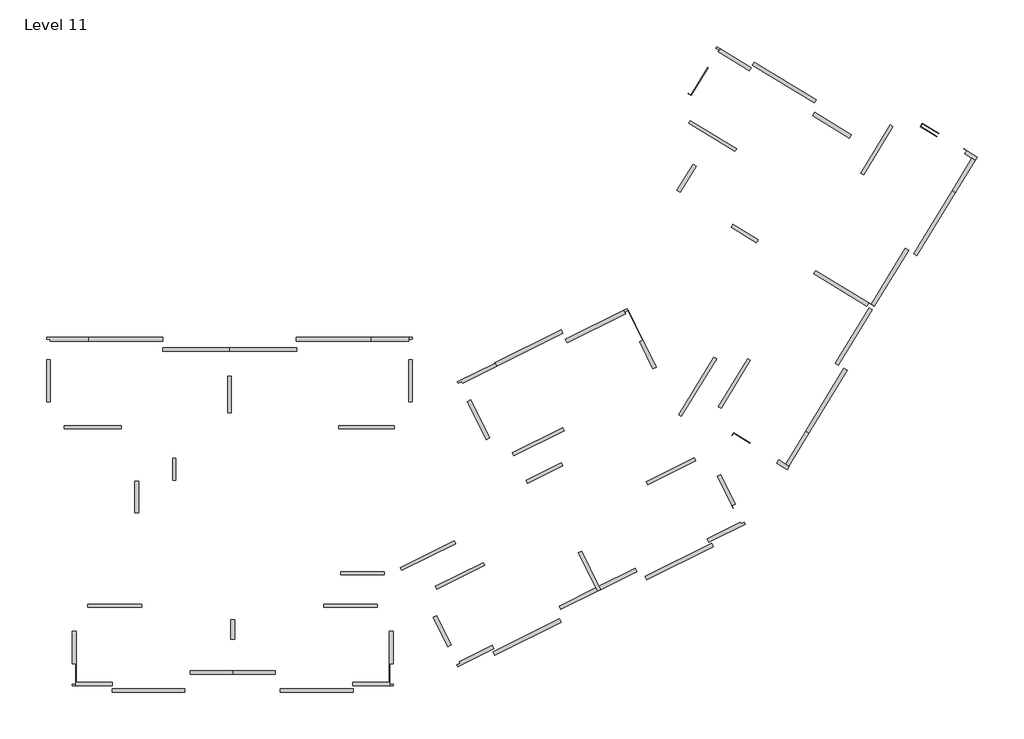
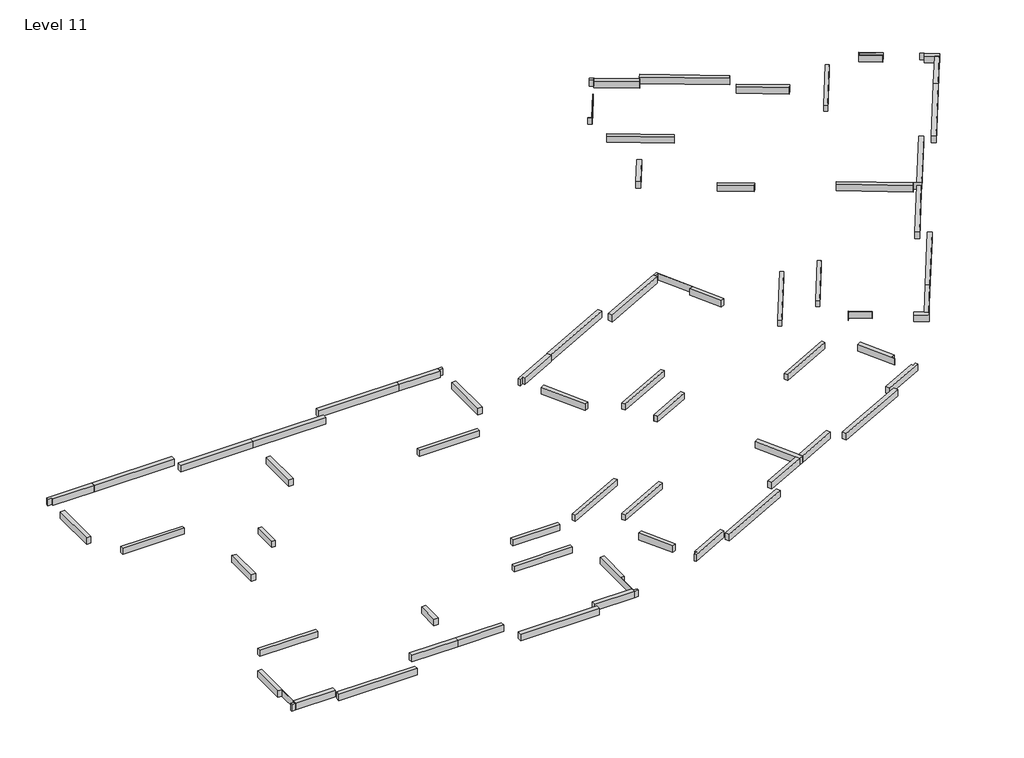
# One storey: 65 beams.
"""IFC4 building model written with IfcOpenShell, lengths in millimetres."""

import ifcopenshell
import ifcopenshell.guid

model = None  # the IFC model being written
_history = None  # IfcOwnerHistory: only IFC2X3 demands one
_inside = {}  # id of a spatial element -> (the spatial element, [elements in it])
_under = {}  # id of a project, library or spatial element -> (it, [spatial elements below it])
_declared = {}  # id of a project -> (the project, [libraries it declares])
_typed = {}  # id of a type object -> (the type object, [elements of that type])
_made_of = {}  # id of a material, layer set ... -> (it, [elements and type objects made of it])


def new_model(schema):
    """Start an empty IFC model of exactly this schema.

    Asked for "IFC4X3", IfcOpenShell would pick the latest addendum, in which some entities
    have other attributes; the version numbers below select the first issue.
    IFC2X3 requires an IfcOwnerHistory on every rooted entity: one is made here for all.
    """
    global model, _history
    if schema == "IFC4X3":
        model = ifcopenshell.file(schema_version=(4, 3, 0, 0))
    else:
        model = ifcopenshell.file(schema=schema)
    _inside.clear()
    _under.clear()
    _declared.clear()
    _typed.clear()
    _made_of.clear()
    _history = None
    if model.schema == "IFC2X3":
        org = make("IfcOrganization", Name="unknown")
        user = make(
            "IfcPersonAndOrganization",
            ThePerson=make("IfcPerson", FamilyName="unknown"),
            TheOrganization=org,
        )
        app = make(
            "IfcApplication",
            ApplicationDeveloper=org,
            Version="unknown",
            ApplicationFullName="unknown",
            ApplicationIdentifier="unknown",
        )
        _history = make(
            "IfcOwnerHistory",
            OwningUser=user,
            OwningApplication=app,
            ChangeAction="ADDED",
            CreationDate=0,
        )
    return model


def make(cls, **values):
    """One entity of the class cls with the attributes given. An attribute that is None is left unset."""
    return model.create_entity(
        cls, **{name: value for name, value in values.items() if value is not None}
    )


def rooted(cls, **values):
    """An entity with a GlobalId (a new one), such as an element, a storey or a relation."""
    return make(cls, GlobalId=ifcopenshell.guid.new(), OwnerHistory=_history, **values)


def si_unit(unit_type, name, prefix=None):
    """IfcSIUnit, for example si_unit("LENGTHUNIT", "METRE", prefix="MILLI")."""
    return make("IfcSIUnit", UnitType=unit_type, Prefix=prefix, Name=name)


def assignment(units):
    """IfcUnitAssignment: the units of a project."""
    return None if units is None else make("IfcUnitAssignment", Units=units)


def point(xyz):
    """IfcCartesianPoint."""
    return None if xyz is None else make("IfcCartesianPoint", Coordinates=xyz)


def direction(xyz):
    """IfcDirection."""
    return None if xyz is None else make("IfcDirection", DirectionRatios=xyz)


def frame(location, z_axis=None, x_axis=None):
    """IfcAxis2Placement3D, a coordinate frame: its origin and axes. An axis left out is left unset."""
    return make(
        "IfcAxis2Placement3D",
        Location=point(location),
        Axis=direction(z_axis),
        RefDirection=direction(x_axis),
    )


def origin():
    """The frame at (0, 0, 0) with its axes left unset."""
    return frame((0.0, 0.0, 0.0))


def place(relative_to, where):
    """IfcLocalPlacement: puts the frame where relative to a parent placement (None: the world)."""
    return make(
        "IfcLocalPlacement", PlacementRelTo=relative_to, RelativePlacement=where
    )


def context(
    kind, dimensions, precision=None, world=None, true_north=None, identifier=None
):
    """IfcGeometricRepresentationContext, for example the 3D "Model" context."""
    return make(
        "IfcGeometricRepresentationContext",
        ContextIdentifier=identifier,
        ContextType=kind,
        CoordinateSpaceDimension=dimensions,
        Precision=precision,
        WorldCoordinateSystem=world,
        TrueNorth=true_north,
    )


def project(units=None, contexts=None):
    """IfcProject with its units and contexts."""
    return rooted(
        "IfcProject",
        Name="project",
        RepresentationContexts=contexts,
        UnitsInContext=assignment(units),
    )


def spatial(cls, under=None, at=None, **own):
    """A site, building, storey or space (cls), placed at a placement, below another one or the project."""
    s = rooted(cls, ObjectPlacement=at, **own)
    if under is not None:
        _under.setdefault(under.id(), (under, []))[1].append(s)
    return s


def polyline(points):
    """IfcPolyline through the points."""
    return make("IfcPolyline", Points=[point(p) for p in points])


def outline(outer, holes=None, kind="AREA"):
    """IfcArbitraryClosedProfileDef: a profile drawn as a closed curve; with holes, ...WithVoids."""
    if holes is None:
        return make("IfcArbitraryClosedProfileDef", ProfileType=kind, OuterCurve=outer)
    return make(
        "IfcArbitraryProfileDefWithVoids",
        ProfileType=kind,
        OuterCurve=outer,
        InnerCurves=holes,
    )


def extrude(swept, where, along, depth):
    """IfcExtrudedAreaSolid: the profile swept, set in the frame where, extruded along a direction by depth."""
    return make(
        "IfcExtrudedAreaSolid",
        SweptArea=swept,
        Position=where,
        ExtrudedDirection=direction(along),
        Depth=depth,
    )


def faces_of(points, faces, orient=None, outer=None):
    """IfcFace entities. A face is a list of loops; a loop is a list of indices into points, from 0.

    orient and outer hold one flag for each loop. By default every Orientation is true, the
    first loop of a face is its IfcFaceOuterBound and the others are IfcFaceBound.
    """
    made = []
    for i, loops in enumerate(faces):
        bounds = []
        for j, loop in enumerate(loops):
            is_outer = j == 0 if outer is None else outer[i][j]
            bounds.append(
                make(
                    "IfcFaceOuterBound" if is_outer else "IfcFaceBound",
                    Bound=make("IfcPolyLoop", Polygon=[points[k] for k in loop]),
                    Orientation=True if orient is None else orient[i][j],
                )
            )
        made.append(make("IfcFace", Bounds=bounds))
    return made


def faceted_brep(points, faces, orient=None, outer=None, voids=None):
    """IfcFacetedBrep: a solid bounded by flat faces; with voids (closed shells), ...WithVoids."""
    shared = [point(p) for p in points]
    hull = make("IfcClosedShell", CfsFaces=faces_of(shared, faces, orient, outer))
    if voids is None:
        return make("IfcFacetedBrep", Outer=hull)
    return make(
        "IfcFacetedBrepWithVoids",
        Outer=hull,
        Voids=[
            make(cls, CfsFaces=faces_of(shared, fs, o, b)) for cls, fs, o, b in voids
        ],
    )


def shape(context_of_items, identifier, shape_type, items):
    """IfcShapeRepresentation: the items that make up one representation, for example the "Body"."""
    return make(
        "IfcShapeRepresentation",
        ContextOfItems=context_of_items,
        RepresentationIdentifier=identifier,
        RepresentationType=shape_type,
        Items=items,
    )


def made_of(thing, what):
    """Note that an element or type object is made of a material, layer set ...; save() writes the relation."""
    if what is not None:
        _made_of.setdefault(what.id(), (what, []))[1].append(thing)
    return thing


def element(
    cls,
    number,
    at=None,
    inside=None,
    cuts=None,
    type_object=None,
    material=None,
    context=None,
    identifier="Body",
    shape_type=None,
    held_by="IfcProductDefinitionShape",
    body=None,
    shapes=None,
    **own,
):
    """One element of the class cls, such as IfcWall. Its Tag is "e" and its number.

    at: its placement. inside: the storey or other place that contains it. cuts: it is an
    opening in that element (IfcRelVoidsElement). A single representation is given by context,
    identifier, shape_type and body (its items); several are given by shapes. held_by: the class
    of the entity that holds the representations. save() writes the other relations.
    """
    e = rooted(cls, Tag="e%d" % number, ObjectPlacement=at, **own)
    if body is not None:
        shapes = [shape(context, identifier, shape_type, body)]
    if shapes is not None:
        e.Representation = make(held_by, Representations=shapes)
    if inside is not None:
        _inside.setdefault(inside.id(), (inside, []))[1].append(e)
    if cuts is not None:
        rooted(
            "IfcRelVoidsElement", RelatingBuildingElement=cuts, RelatedOpeningElement=e
        )
    if type_object is not None:
        _typed.setdefault(type_object.id(), (type_object, []))[1].append(e)
    return made_of(e, material)


def aggregate(whole, parts):
    """IfcRelAggregates: a whole, such as a stair, and the parts it consists of."""
    return rooted("IfcRelAggregates", RelatingObject=whole, RelatedObjects=parts)


def save(model, path):
    """Write the relations noted so far, then the file.

    IfcRelAggregates (storeys below a building ...), IfcRelContainedInSpatialStructure (elements
    in a storey), IfcRelDefinesByType, IfcRelAssociatesMaterial and IfcRelDeclares: one each for
    every whole, place, type object, material and project.
    """
    for whole, parts in _under.values():
        aggregate(whole, parts)
    for where, things in _inside.values():
        rooted(
            "IfcRelContainedInSpatialStructure",
            RelatedElements=things,
            RelatingStructure=where,
        )
    for kind, things in _typed.values():
        rooted("IfcRelDefinesByType", RelatedObjects=things, RelatingType=kind)
    for what, things in _made_of.values():
        rooted("IfcRelAssociatesMaterial", RelatedObjects=things, RelatingMaterial=what)
    for by, libraries in _declared.values():
        rooted("IfcRelDeclares", RelatingContext=by, RelatedDefinitions=libraries)
    model.write(path)


model = new_model("IFC4")

# Units and contexts
model_context = context("Model", 3, world=origin())
ifc_project = project(units=[si_unit("LENGTHUNIT", "METRE", prefix="MILLI")], contexts=[model_context])

# Site, building, storey
site = spatial("IfcSite", under=ifc_project)
building = spatial("IfcBuilding", under=site)
storey = spatial("IfcBuildingStorey", under=building, Name="Level 11", Elevation=28800.0)

# Beams
placement = place(None, origin())
element("IfcBeam", 1, ObjectType="Concrete - Rectangular Beam", at=placement, inside=storey, context=model_context, shape_type="SweptSolid", body=[
    extrude(outline(polyline([(88316.1668295, -55924.9555569), (91591.1668295, -55924.9555569), (91591.1668295, -56224.9555569), (88606.8906058, -56224.9555569), (88606.8906058, -56076.6352907), (88316.1668295, -56076.6352907), (88316.1668295, -55924.9555569)])), frame((0.0, 0.0, 28300.0), z_axis=(0.0, 0.0, 1.0), x_axis=(1.0, 0.0, 0.0)), (0.0, 0.0, 1.0), 500.0),
])
element("IfcBeam", 2, ObjectType="Concrete - Rectangular Beam", at=placement, inside=storey, context=model_context, shape_type="Brep", body=[
    faceted_brep([(116666.1668295, -55924.9555569, 28800.0), (116666.1668295, -56074.9555569, 28800.0), (116666.1668295, -56224.9555569, 28800.0), (116666.1668295, -56224.9555569, 28300.0), (116666.1668295, -56074.9555569, 28300.0), (116666.1668295, -55924.9555569, 28300.0), (113691.1668295, -56224.9555569, 28800.0), (113691.1668295, -55924.9555569, 28800.0), (113691.1668295, -56224.9555569, 28300.0), (113691.1668295, -55924.9555569, 28300.0)], [[[0, 1, 2, 3, 4, 5]], [[6, 2, 1, 0, 7]], [[8, 3, 2, 6]], [[9, 5, 4, 3, 8]], [[7, 0, 5, 9]], [[7, 9, 8, 6]]]),
])
element("IfcBeam", 3, ObjectType="Concrete - Rectangular Beam", at=placement, inside=storey, context=model_context, shape_type="SweptSolid", body=[
    extrude(outline(polyline([(94160.3612438, -62824.9555569), (94160.3612438, -63074.9555569), (89707.6612438, -63074.9555569), (89707.6612438, -62824.9555569), (94160.3612438, -62824.9555569)])), frame((0.0, 0.0, 28330.0), z_axis=(0.0, 0.0, 1.0), x_axis=(1.0, 0.0, 0.0)), (0.0, 0.0, 1.0), 450.0),
])
element("IfcBeam", 4, ObjectType="Concrete - Rectangular Beam", at=placement, inside=storey, context=model_context, shape_type="SweptSolid", body=[
    extrude(outline(polyline([(111187.7301517, -62824.9555569), (115556.7301517, -62824.9555569), (115556.7301517, -63074.9555569), (111187.7301517, -63074.9555569), (111187.7301517, -62824.9555569)])), frame((0.0, 0.0, 28330.0), z_axis=(0.0, 0.0, 1.0), x_axis=(1.0, 0.0, 0.0)), (0.0, 0.0, 1.0), 450.0),
])
element("IfcBeam", 5, ObjectType="Concrete - Rectangular Beam", at=placement, inside=storey, context=model_context, shape_type="SweptSolid", body=[
    extrude(outline(polyline([(141143.7702099, -61491.211312), (140930.2689252, -61361.1451695), (143226.1964724, -57592.4204916), (143439.6977571, -57722.4866341), (141143.7702099, -61491.211312)])), frame((0.0, 0.0, 28350.0), z_axis=(0.0, 0.0, 1.0), x_axis=(1.0, 0.0, 0.0)), (0.0, 0.0, 1.0), 450.0),
])
element("IfcBeam", 6, ObjectType="Concrete - Rectangular Beam", at=placement, inside=storey, context=model_context, shape_type="SweptSolid", body=[
    extrude(outline(polyline([(114210.8087114, -77074.9555569), (110007.8087114, -77074.9555569), (110007.8087114, -76824.9555569), (114210.8087114, -76824.9555569), (114210.8087114, -77074.9555569)])), frame((0.0, 0.0, 28350.0), z_axis=(0.0, 0.0, 1.0), x_axis=(1.0, 0.0, 0.0)), (0.0, 0.0, 1.0), 450.0),
])
element("IfcBeam", 7, ObjectType="Concrete - Rectangular Beam", at=placement, inside=storey, context=model_context, shape_type="SweptSolid", body=[
    extrude(outline(polyline([(91556.3809563, -77074.9555569), (91556.3809563, -76824.9555569), (95761.3809563, -76824.9555569), (95761.3809563, -77074.9555569), (91556.3809563, -77074.9555569)])), frame((0.0, 0.0, 28350.0), z_axis=(0.0, 0.0, 1.0), x_axis=(1.0, 0.0, 0.0)), (0.0, 0.0, 1.0), 450.0),
])
element("IfcBeam", 8, ObjectType="Concrete - Rectangular Beam", at=placement, inside=storey, context=model_context, shape_type="SweptSolid", body=[
    extrude(outline(polyline([(102631.1668295, -56724.9555569), (102631.1668295, -57024.9555569), (97405.9033853, -57024.9555569), (97405.9033853, -56724.9555569), (102631.1668295, -56724.9555569)])), frame((0.0, 0.0, 28300.0), z_axis=(0.0, 0.0, 1.0), x_axis=(1.0, 0.0, 0.0)), (0.0, 0.0, 1.0), 500.0),
])
element("IfcBeam", 9, ObjectType="Concrete - Rectangular Beam", at=placement, inside=storey, context=model_context, shape_type="SweptSolid", body=[
    extrude(outline(polyline([(124908.7594705, -65182.8380889), (124797.6751291, -64958.8732053), (128753.7908328, -62996.6793977), (128864.8751743, -63220.6442813), (124908.7594705, -65182.8380889)])), frame((0.0, 0.0, 28350.0), z_axis=(0.0, 0.0, 1.0), x_axis=(1.0, 0.0, 0.0)), (0.0, 0.0, 1.0), 450.0),
])
element("IfcBeam", 10, ObjectType="Concrete - Rectangular Beam", at=placement, inside=storey, context=model_context, shape_type="Brep", body=[
    faceted_brep([(95241.1668295, -67207.2555569, 28800.0), (95541.1668295, -67207.2555569, 28800.0), (95541.1668295, -67207.2555569, 28300.0), (95241.1668295, -67207.2555569, 28300.0), (95241.1668295, -69652.6555569, 28800.0), (95241.1668295, -69652.6555569, 28300.0), (95541.1668295, -69652.6555569, 28300.0), (95541.1668295, -69652.6555569, 28800.0), (95241.1668295, -69649.9555569, 28300.0), (95241.1668295, -67228.4950347, 28300.0)], [[[0, 1, 2, 3]], [[4, 5, 6, 7]], [[1, 0, 4, 7]], [[2, 1, 7, 6]], [[3, 2, 6, 5, 8, 9]], [[0, 3, 9, 8, 5, 4]]]),
])
element("IfcBeam", 11, ObjectType="Concrete - Rectangular Beam", at=placement, inside=storey, context=model_context, shape_type="Brep", body=[
    faceted_brep([(137941.8580571, -44574.837013, 28800.0), (137685.6565154, -44418.757642, 28800.0), (137685.6565154, -44418.757642, 28300.0), (137941.8580571, -44574.837013, 28300.0), (139203.7077451, -42503.5329492, 28800.0), (139203.7077451, -42503.5329492, 28300.0), (139049.9868201, -42409.8853266, 28300.0), (138947.5062034, -42347.4535782, 28300.0), (138947.5062034, -42347.4535782, 28800.0), (137687.7090978, -44415.3883641, 28300.0)], [[[0, 1, 2, 3]], [[4, 5, 6, 7, 8]], [[1, 0, 4, 8]], [[2, 1, 8, 7, 9]], [[3, 2, 9, 7, 6, 5]], [[0, 3, 5, 4]]]),
])
element("IfcBeam", 12, ObjectType="Concrete - Rectangular Beam : 250x450", at=placement, inside=storey, context=model_context, shape_type="SweptSolid", body=[
    extrude(outline(polyline([(98191.1668295, -65393.7562225), (98441.1668295, -65393.7562225), (98441.1668295, -67116.1562225), (98191.1668295, -67116.1562225), (98191.1668295, -65393.7562225)])), frame((0.0, 0.0, 28350.0), z_axis=(0.0, 0.0, 1.0), x_axis=(1.0, 0.0, 0.0)), (0.0, 0.0, 1.0), 450.0),
])
element("IfcBeam", 13, ObjectType="Concrete - Rectangular Beam : 250x450", at=placement, inside=storey, context=model_context, shape_type="SweptSolid", body=[
    extrude(outline(polyline([(139162.5282305, -65582.3070758), (135387.3718746, -67456.3109655), (135276.2130798, -67232.3830255), (139051.3694357, -65358.3791358), (139162.5282305, -65582.3070758)])), frame((0.0, 0.0, 28330.0), z_axis=(0.0, 0.0, 1.0), x_axis=(1.0, 0.0, 0.0)), (0.0, 0.0, 1.0), 450.0),
])
element("IfcBeam", 14, ObjectType="Concrete - Rectangular Beam : 250x450", at=placement, inside=storey, context=model_context, shape_type="SweptSolid", body=[
    extrude(outline(polyline([(118875.704651, -75652.7737569), (118764.5458562, -75428.8458169), (122524.7438257, -73562.2673347), (122635.9026205, -73786.1952747), (118875.704651, -75652.7737569)])), frame((0.0, 0.0, 28330.0), z_axis=(0.0, 0.0, 1.0), x_axis=(1.0, 0.0, 0.0)), (0.0, 0.0, 1.0), 450.0),
])
element("IfcBeam", 15, ObjectType="Concrete - Rectangular Beam : 2T501b-300x500", at=placement, inside=storey, context=model_context, shape_type="SweptSolid", body=[
    extrude(outline(polyline([(102791.1668295, -61807.6555569), (102491.1668295, -61807.6555569), (102491.1668295, -58962.2555569), (102791.1668295, -58962.2555569), (102791.1668295, -61807.6555569)])), frame((0.0, 0.0, 28300.0), z_axis=(0.0, 0.0, 1.0), x_axis=(1.0, 0.0, 0.0)), (0.0, 0.0, 1.0), 500.0),
])
element("IfcBeam", 16, ObjectType="Concrete - Rectangular Beam : 2T501b-300x500", at=placement, inside=storey, context=model_context, shape_type="SweptSolid", body=[
    extrude(outline(polyline([(102631.1668295, -56724.9555569), (107914.4817218, -56724.9555569), (107914.4817218, -57024.9555569), (102631.1668295, -57024.9555569), (102631.1668295, -56724.9555569)])), frame((0.0, 0.0, 28300.0), z_axis=(0.0, 0.0, 1.0), x_axis=(1.0, 0.0, 0.0)), (0.0, 0.0, 1.0), 500.0),
])
element("IfcBeam", 17, ObjectType="Concrete - Rectangular Beam : 2T501b-300x500", at=placement, inside=storey, context=model_context, shape_type="SweptSolid", body=[
    extrude(outline(polyline([(88616.1668295, -60976.1312872), (88316.1668295, -60976.1312872), (88316.1668295, -57676.6352907), (88606.8906058, -57676.6352907), (88606.8906058, -57674.9555569), (88616.1668295, -57674.9555569), (88616.1668295, -60976.1312872)])), frame((0.0, 0.0, 28300.0), z_axis=(0.0, 0.0, 1.0), x_axis=(1.0, 0.0, 0.0)), (0.0, 0.0, 1.0), 500.0),
])
element("IfcBeam", 18, ObjectType="Concrete - Rectangular Beam : 2T501b-300x500", at=placement, inside=storey, context=model_context, shape_type="SweptSolid", body=[
    extrude(outline(polyline([(116966.1668295, -60976.4550241), (116666.1668295, -60976.4550241), (116666.1668295, -57674.9555569), (116966.1668295, -57674.9555569), (116966.1668295, -60976.4550241)])), frame((0.0, 0.0, 28300.0), z_axis=(0.0, 0.0, 1.0), x_axis=(1.0, 0.0, 0.0)), (0.0, 0.0, 1.0), 500.0),
    extrude(outline(polyline([(116666.1668295, -55924.9555569), (116966.1668295, -55924.9555569), (116966.1668295, -56074.9555569), (116666.1668295, -56074.9555569), (116666.1668295, -55924.9555569)])), frame((0.0, 0.0, 28300.0), z_axis=(0.0, 0.0, 1.0), x_axis=(1.0, 0.0, 0.0)), (0.0, 0.0, 1.0), 500.0),
])
element("IfcBeam", 19, ObjectType="Concrete - Rectangular Beam : Beam - 250x480", at=placement, inside=storey, context=model_context, shape_type="SweptSolid", body=[
    extrude(outline(polyline([(154592.5312028, -39415.3067382), (152299.2049784, -43179.7613904), (152085.7036937, -43049.6952479), (154379.0299181, -39285.2405957), (154592.5312028, -39415.3067382)])), frame((0.0, 0.0, 28320.0), z_axis=(0.0, 0.0, 1.0), x_axis=(1.0, 0.0, 0.0)), (0.0, 0.0, 1.0), 480.0),
])
element("IfcBeam", 20, ObjectType="Concrete - Rectangular Beam : Beam - 250x480", at=placement, inside=storey, context=model_context, shape_type="SweptSolid", body=[
    extrude(outline(polyline([(138603.2903661, -39151.8249101), (138733.3565086, -38938.3236254), (142352.3740857, -41143.0487935), (142222.3079432, -41356.5500782), (138603.2903661, -39151.8249101)])), frame((0.0, 0.0, 28300.0), z_axis=(0.0, 0.0, 1.0), x_axis=(1.0, 0.0, 0.0)), (0.0, 0.0, 1.0), 480.0),
])
element("IfcBeam", 21, ObjectType="Concrete - Rectangular Beam : Beam-250x450", at=placement, inside=storey, context=model_context, shape_type="SweptSolid", body=[
    extrude(outline(polyline([(120237.3440533, -71847.0829725), (120348.4283947, -72071.0478561), (116117.5525718, -74169.5199338), (116006.4682303, -73945.5550502), (120237.3440533, -71847.0829725)])), frame((0.0, 0.0, 28350.0), z_axis=(0.0, 0.0, 1.0), x_axis=(1.0, 0.0, 0.0)), (0.0, 0.0, 1.0), 450.0),
])
element("IfcBeam", 22, ObjectType="Concrete - Rectangular Beam : Beam-250x450", at=placement, inside=storey, context=model_context, shape_type="SweptSolid", body=[
    extrude(outline(polyline([(114764.9592692, -74274.9555569), (114764.9592692, -74524.9555569), (111366.2592692, -74524.9555569), (111366.2592692, -74274.9555569), (114764.9592692, -74274.9555569)])), frame((0.0, 0.0, 28350.0), z_axis=(0.0, 0.0, 1.0), x_axis=(1.0, 0.0, 0.0)), (0.0, 0.0, 1.0), 450.0),
])
element("IfcBeam", 23, ObjectType="Concrete - Rectangular Beam : Beam-250x450", at=placement, inside=storey, context=model_context, shape_type="SweptSolid", body=[
    extrude(outline(polyline([(140569.5106088, -57464.3774926), (140783.0118936, -57594.443635), (138029.4076042, -62114.4366337), (137815.9063195, -61984.3704912), (140569.5106088, -57464.3774926)])), frame((0.0, 0.0, 28350.0), z_axis=(0.0, 0.0, 1.0), x_axis=(1.0, 0.0, 0.0)), (0.0, 0.0, 1.0), 450.0),
])
element("IfcBeam", 24, ObjectType="Concrete - Rectangular Beam : Beam-250x450", at=placement, inside=storey, context=model_context, shape_type="Brep", body=[
    faceted_brep([(128630.4943564, -65748.1650183, 28800.0), (128741.5786979, -65972.1299018, 28800.0), (128741.5786979, -65972.1299018, 28350.0), (128630.4943564, -65748.1650183, 28350.0), (125876.2214183, -67114.2568387, 28800.0), (125883.9441111, -67129.8141026, 28800.0), (125883.5742804, -67129.9976881, 28800.0), (125981.3285063, -67327.0867966, 28800.0), (125986.941041, -67338.4026191, 28800.0), (125986.941041, -67338.4026191, 28350.0), (125883.5742804, -67129.9976881, 28350.0), (125883.9441111, -67129.8141026, 28350.0), (125876.2214183, -67114.2568387, 28350.0)], [[[0, 1, 2, 3]], [[1, 0, 4, 5, 6, 7, 8]], [[2, 1, 8, 9]], [[3, 2, 9, 10, 11, 12]], [[0, 3, 12, 4]], [[9, 8, 7, 6, 10]], [[11, 5, 4, 12]], [[5, 11, 10, 6]]]),
])
element("IfcBeam", 25, ObjectType="Concrete - Rectangular Beam : Beam-250x450", at=placement, inside=storey, context=model_context, shape_type="SweptSolid", body=[
    extrude(outline(polyline([(141926.6757404, -47294.6784672), (142056.7418829, -47081.1771825), (144043.8159398, -48291.7134927), (143913.7497973, -48505.2147774), (141926.6757404, -47294.6784672)])), frame((0.0, 0.0, 28350.0), z_axis=(0.0, 0.0, 1.0), x_axis=(1.0, 0.0, 0.0)), (0.0, 0.0, 1.0), 450.0),
])
element("IfcBeam", 26, ObjectType="Concrete - Rectangular Beam : Beam-300x500", at=placement, inside=storey, context=model_context, shape_type="SweptSolid", body=[
    extrude(outline(polyline([(136077.5262336, -58256.1183212), (135808.820693, -58389.5249645), (134757.0948086, -56271.155403), (135017.5564372, -56141.8416885), (133861.3655293, -53813.0603367), (133600.9039006, -53942.3740512), (133535.5056883, -53810.6500113), (133804.2192169, -53677.2594573), (136077.5262336, -58256.1183212)])), frame((0.0, 0.0, 28300.0), z_axis=(0.0, 0.0, 1.0), x_axis=(1.0, 0.0, 0.0)), (0.0, 0.0, 1.0), 500.0),
])
element("IfcBeam", 27, ObjectType="Concrete - Rectangular Beam : Beam-300x500", at=placement, inside=storey, context=model_context, shape_type="Brep", body=[
    faceted_brep([(123438.9118086, -57929.8742989, 28800.0), (120489.6449311, -59393.9030911, 28800.0), (120556.4278694, -59528.436448, 28800.0), (120825.1039907, -59395.0444108, 28800.0), (120891.7276275, -59529.2366812, 28800.0), (123572.3023624, -58198.587827, 28800.0), (123563.0503828, -58179.949835, 28800.0), (123572.3023624, -58198.587827, 28300.0), (120891.7276275, -59529.2366812, 28300.0), (120489.6449311, -59393.9030911, 28300.0), (123438.9118086, -57929.8742989, 28300.0), (123563.0503828, -58179.949835, 28300.0), (120825.1039907, -59395.0444108, 28300.0), (120556.4278694, -59528.436448, 28300.0)], [[[0, 1, 2, 3, 4, 5, 6]], [[7, 5, 4, 8]], [[9, 10, 11, 7, 8, 12, 13]], [[1, 0, 10, 9]], [[1, 9, 13, 2]], [[3, 12, 8, 4]], [[12, 3, 2, 13]], [[0, 6, 5, 7, 11, 10]]]),
])
element("IfcBeam", 28, ObjectType="Concrete - Rectangular Beam : Beam-300x500", at=placement, inside=storey, context=model_context, shape_type="Brep", body=[
    faceted_brep([(146469.3546144, -66016.3601547, 28800.0), (146313.2752434, -66272.5616964, 28800.0), (146313.2752434, -66272.5616964, 28300.0), (146469.3546144, -66016.3601547, 28300.0), (146450.0466424, -66004.5976333, 28800.0), (146193.8451007, -65848.5182623, 28800.0), (145647.1259225, -65515.4539689, 28800.0), (145491.0465515, -65771.6555106, 28800.0), (145491.0465515, -65771.6555106, 28300.0), (145647.1259225, -65515.4539689, 28300.0), (146193.8451007, -65848.5182623, 28300.0), (146450.0466424, -66004.5976333, 28300.0)], [[[0, 1, 2, 3]], [[1, 0, 4, 5, 6, 7]], [[2, 1, 7, 8]], [[3, 2, 8, 9, 10, 11]], [[0, 3, 11, 10, 9, 6, 5, 4]], [[7, 6, 9, 8]]]),
])
element("IfcBeam", 29, ObjectType="Concrete - Rectangular Beam : Beam-300x500", at=placement, inside=storey, context=model_context, shape_type="SweptSolid", body=[
    extrude(outline(polyline([(147754.6474704, -63286.4886308), (148010.849012, -63442.5680017), (146450.0466424, -66004.5976333), (146193.8451007, -65848.5182623), (147754.6474704, -63286.4886308)])), frame((0.0, 0.0, 28300.0), z_axis=(0.0, 0.0, 1.0), x_axis=(1.0, 0.0, 0.0)), (0.0, 0.0, 1.0), 500.0),
])
element("IfcBeam", 30, ObjectType="Concrete - Rectangular Beam : Beam-300x500", at=placement, inside=storey, context=model_context, shape_type="Brep", body=[
    faceted_brep([(148414.5189284, -50954.3704969, 28800.0), (148570.5982994, -50698.1689552, 28800.0), (148570.5982994, -50698.1689552, 28300.0), (148414.5189284, -50954.3704969, 28300.0), (152560.8846323, -53480.3590087, 28800.0), (152713.7068392, -53229.5040446, 28800.0), (153150.0620466, -53495.3340075, 28800.0), (153153.3192107, -53489.9874299, 28800.0), (152897.117669, -53333.9080589, 28800.0), (153153.3192107, -53489.9874299, 28300.0), (152897.117669, -53333.9080589, 28300.0), (153150.0620466, -53495.3340075, 28300.0), (152713.7068392, -53229.5040446, 28300.0), (152560.8846323, -53480.3590087, 28300.0)], [[[0, 1, 2, 3]], [[1, 0, 4, 5, 6, 7, 8]], [[2, 1, 8, 7, 9, 10]], [[3, 2, 10, 9, 11, 12, 13]], [[0, 3, 13, 4]], [[5, 12, 11, 6]], [[12, 5, 4, 13]], [[9, 7, 6, 11]]]),
])
element("IfcBeam", 31, ObjectType="Concrete - Rectangular Beam : Beam-300x500", at=placement, inside=storey, context=model_context, shape_type="SweptSolid", body=[
    extrude(outline(polyline([(150758.08791, -58356.3939869), (151014.2894516, -58512.4733579), (148010.849012, -63442.5680017), (147754.6474704, -63286.4886308), (150758.08791, -58356.3939869)])), frame((0.0, 0.0, 28300.0), z_axis=(0.0, 0.0, 1.0), x_axis=(1.0, 0.0, 0.0)), (0.0, 0.0, 1.0), 500.0),
])
element("IfcBeam", 32, ObjectType="Concrete - Rectangular Beam : Beam-300x500", at=placement, inside=storey, context=model_context, shape_type="SweptSolid", body=[
    extrude(outline(polyline([(159482.6654601, -44611.7831191), (159226.4639185, -44455.7037481), (160787.2662881, -41893.6741165), (161043.4678298, -42049.7534875), (159482.6654601, -44611.7831191)])), frame((0.0, 0.0, 28300.0), z_axis=(0.0, 0.0, 1.0), x_axis=(1.0, 0.0, 0.0)), (0.0, 0.0, 1.0), 500.0),
])
element("IfcBeam", 33, ObjectType="Concrete - Rectangular Beam : Beam-300x500", at=placement, inside=storey, context=model_context, shape_type="SweptSolid", body=[
    extrude(outline(polyline([(156479.2250205, -49541.8777629), (156223.0234788, -49385.7983919), (159226.4639185, -44455.7037481), (159482.6654601, -44611.7831191), (156479.2250205, -49541.8777629)])), frame((0.0, 0.0, 28300.0), z_axis=(0.0, 0.0, 1.0), x_axis=(1.0, 0.0, 0.0)), (0.0, 0.0, 1.0), 500.0),
])
element("IfcBeam", 34, ObjectType="Concrete - Rectangular Beam : Beam-300x500", at=placement, inside=storey, context=model_context, shape_type="Brep", body=[
    faceted_brep([(161218.8551728, -41805.3144673, 28800.0), (161062.7758018, -42061.5160089, 28800.0), (161062.7758018, -42061.5160089, 28300.0), (161218.8551728, -41805.3144673, 28300.0), (160140.4249393, -41148.3289105, 28800.0), (160137.1764216, -41153.6612951, 28800.0), (160387.3593914, -41306.0741195, 28800.0), (160234.5285381, -41556.9432765, 28800.0), (160787.2662881, -41893.6741165, 28800.0), (161043.4678298, -42049.7534875, 28800.0), (160140.4249393, -41148.3289105, 28300.0), (161043.4678298, -42049.7534875, 28300.0), (160787.2662881, -41893.6741165, 28300.0), (160234.5285381, -41556.9432765, 28300.0), (160387.3593914, -41306.0741195, 28300.0), (160137.1764216, -41153.6612951, 28300.0)], [[[0, 1, 2, 3]], [[1, 0, 4, 5, 6, 7, 8, 9]], [[0, 3, 10, 4]], [[3, 2, 11, 12, 13, 14, 15, 10]], [[2, 1, 9, 8, 7, 13, 12, 11]], [[14, 6, 5, 15]], [[6, 14, 13, 7]], [[4, 10, 15, 5]]]),
])
element("IfcBeam", 35, ObjectType="Concrete - Rectangular Beam : Beam-300x500", at=placement, inside=storey, context=model_context, shape_type="SweptSolid", body=[
    extrude(outline(polyline([(143522.5245374, -34800.9181296), (143366.4451664, -35057.1196712), (140906.3125628, -33558.3935245), (141062.3919338, -33302.1919829), (143522.5245374, -34800.9181296)])), frame((0.0, 0.0, 28300.0), z_axis=(0.0, 0.0, 1.0), x_axis=(1.0, 0.0, 0.0)), (0.0, 0.0, 1.0), 500.0),
])
element("IfcBeam", 36, ObjectType="Concrete - Rectangular Beam : Beam-300x500", at=placement, inside=storey, context=model_context, shape_type="SweptSolid", body=[
    extrude(outline(polyline([(151337.7700423, -40053.142102), (151181.6906713, -40309.3436436), (148321.0296576, -38566.6134136), (148477.1090286, -38310.411872), (151337.7700423, -40053.142102)])), frame((0.0, 0.0, 28300.0), z_axis=(0.0, 0.0, 1.0), x_axis=(1.0, 0.0, 0.0)), (0.0, 0.0, 1.0), 500.0),
])
element("IfcBeam", 37, ObjectType="Concrete - Rectangular Beam : Beam-300x500", at=placement, inside=storey, context=model_context, shape_type="SweptSolid", body=[
    extrude(outline(polyline([(148595.9201979, -37306.1817564), (148439.8408269, -37562.3832981), (143597.887891, -34612.6392658), (143753.967262, -34356.4377241), (148595.9201979, -37306.1817564)])), frame((0.0, 0.0, 28300.0), z_axis=(0.0, 0.0, 1.0), x_axis=(1.0, 0.0, 0.0)), (0.0, 0.0, 1.0), 500.0),
])
element("IfcBeam", 38, ObjectType="Concrete - Rectangular Beam : Beam-300x500", at=placement, inside=storey, context=model_context, shape_type="SweptSolid", body=[
    extrude(outline(polyline([(155563.4305143, -48957.2024303), (155819.6320559, -49113.2818013), (153153.3192107, -53489.9874299), (152897.117669, -53333.9080589), (155563.4305143, -48957.2024303)])), frame((0.0, 0.0, 28300.0), z_axis=(0.0, 0.0, 1.0), x_axis=(1.0, 0.0, 0.0)), (0.0, 0.0, 1.0), 500.0),
])
element("IfcBeam", 39, ObjectType="Concrete - Rectangular Beam : Beam-300x500", at=placement, inside=storey, context=model_context, shape_type="SweptSolid", body=[
    extrude(outline(polyline([(97403.8668295, -55924.9555569), (97403.8668295, -56224.9555569), (91591.1668295, -56224.9555569), (91591.1668295, -55924.9555569), (97403.8668295, -55924.9555569)])), frame((0.0, 0.0, 28300.0), z_axis=(0.0, 0.0, 1.0), x_axis=(1.0, 0.0, 0.0)), (0.0, 0.0, 1.0), 500.0),
])
element("IfcBeam", 40, ObjectType="Concrete - Rectangular Beam : Beam-300x500", at=placement, inside=storey, context=model_context, shape_type="SweptSolid", body=[
    extrude(outline(polyline([(107878.4668295, -55924.9555569), (113691.1668295, -55924.9555569), (113691.1668295, -56224.9555569), (107878.4668295, -56224.9555569), (107878.4668295, -55924.9555569)])), frame((0.0, 0.0, 28300.0), z_axis=(0.0, 0.0, 1.0), x_axis=(1.0, 0.0, 0.0)), (0.0, 0.0, 1.0), 500.0),
])
element("IfcBeam", 41, ObjectType="Concrete - Rectangular Beam : Beam-300x500", at=placement, inside=storey, context=model_context, shape_type="Brep", body=[
    faceted_brep([(93479.5952974, -82923.2758231, 28800.0), (93479.5952974, -83223.2758231, 28800.0), (93479.5952974, -83223.2758231, 28300.0), (93479.5952974, -82923.2758231, 28300.0), (90616.8952974, -82923.2758231, 28800.0), (90616.8952974, -82923.2758231, 28300.0), (90616.8952974, -83223.2758231, 28300.0), (90616.8952974, -83223.2758231, 28800.0), (90625.4430532, -82923.2758231, 28800.0), (90625.4430532, -82923.2758231, 28300.0)], [[[0, 1, 2, 3]], [[4, 5, 6, 7]], [[1, 0, 8, 4, 7]], [[2, 1, 7, 6]], [[3, 2, 6, 5, 9]], [[0, 3, 9, 5, 4, 8]]]),
])
element("IfcBeam", 42, ObjectType="Concrete - Rectangular Beam : Beam-300x500", at=placement, inside=storey, context=model_context, shape_type="SweptSolid", body=[
    extrude(outline(polyline([(99131.1668295, -83424.9555569), (99131.1668295, -83724.9555569), (93463.4668295, -83724.9555569), (93463.4668295, -83424.9555569), (99131.1668295, -83424.9555569)])), frame((0.0, 0.0, 28300.0), z_axis=(0.0, 0.0, 1.0), x_axis=(1.0, 0.0, 0.0)), (0.0, 0.0, 1.0), 500.0),
])
element("IfcBeam", 43, ObjectType="Concrete - Rectangular Beam : Beam-300x500", at=placement, inside=storey, context=model_context, shape_type="SweptSolid", body=[
    extrude(outline(polyline([(102891.1668295, -82019.7363378), (102891.1668295, -82319.7363378), (99552.1668295, -82319.7363378), (99552.1668295, -82019.7363378), (102891.1668295, -82019.7363378)])), frame((0.0, 0.0, 28300.0), z_axis=(0.0, 0.0, 1.0), x_axis=(1.0, 0.0, 0.0)), (0.0, 0.0, 1.0), 500.0),
])
element("IfcBeam", 44, ObjectType="Concrete - Rectangular Beam : Beam-300x500", at=placement, inside=storey, context=model_context, shape_type="Brep", body=[
    faceted_brep([(112296.9956981, -82923.2758231, 28800.0), (112296.9956981, -82923.2758231, 28300.0), (112296.9956981, -83223.2758231, 28300.0), (112296.9956981, -83223.2758231, 28800.0), (115175.6956981, -82923.2758231, 28800.0), (115175.6956981, -83223.2758231, 28800.0), (115175.6956981, -83223.2758231, 28300.0), (115175.6956981, -82923.2758231, 28300.0), (115156.8906058, -82923.2758231, 28800.0), (115156.8906058, -82923.2758231, 28300.0)], [[[0, 1, 2, 3]], [[4, 5, 6, 7]], [[3, 5, 4, 8, 0]], [[2, 6, 5, 3]], [[1, 9, 7, 6, 2]], [[0, 8, 4, 7, 9, 1]]]),
])
element("IfcBeam", 45, ObjectType="Concrete - Rectangular Beam : Beam-300x500", at=placement, inside=storey, context=model_context, shape_type="SweptSolid", body=[
    extrude(outline(polyline([(106633.1668295, -83424.9555569), (112318.8668295, -83424.9555569), (112318.8668295, -83724.9555569), (106633.1668295, -83724.9555569), (106633.1668295, -83424.9555569)])), frame((0.0, 0.0, 28300.0), z_axis=(0.0, 0.0, 1.0), x_axis=(1.0, 0.0, 0.0)), (0.0, 0.0, 1.0), 500.0),
])
element("IfcBeam", 46, ObjectType="Concrete - Rectangular Beam : Beam-300x500", at=placement, inside=storey, context=model_context, shape_type="SweptSolid", body=[
    extrude(outline(polyline([(102891.1668295, -82019.7363378), (106212.1668295, -82019.7363378), (106212.1668295, -82319.7363378), (102891.1668295, -82319.7363378), (102891.1668295, -82019.7363378)])), frame((0.0, 0.0, 28300.0), z_axis=(0.0, 0.0, 1.0), x_axis=(1.0, 0.0, 0.0)), (0.0, 0.0, 1.0), 500.0),
])
element("IfcBeam", 47, ObjectType="Concrete - Rectangular Beam : Beam-300x500", at=placement, inside=storey, context=model_context, shape_type="Brep", body=[
    faceted_brep([(129942.3135831, -72796.1685364, 28800.0), (130210.9827492, -72662.6886534, 28800.0), (130210.9827492, -72662.6886534, 28300.0), (129942.3135831, -72796.1685364, 28300.0), (131308.2493344, -75545.5327928, 28800.0), (131441.7292248, -75814.2019738, 28800.0), (131710.4427677, -75680.8114127, 28800.0), (131576.9628773, -75412.1422317, 28800.0), (131710.4427677, -75680.8114127, 28300.0), (131576.9628773, -75412.1422317, 28300.0), (131441.7292248, -75814.2019738, 28300.0), (131308.2493344, -75545.5327928, 28300.0)], [[[0, 1, 2, 3]], [[1, 0, 4, 5, 6, 7]], [[2, 1, 7, 6, 8, 9]], [[3, 2, 9, 8, 10, 11]], [[0, 3, 11, 10, 5, 4]], [[6, 5, 10, 8]]]),
])
element("IfcBeam", 48, ObjectType="Concrete - Rectangular Beam : Beam-300x500", at=placement, inside=storey, context=model_context, shape_type="SweptSolid", body=[
    extrude(outline(polyline([(123208.8101106, -80047.4758315), (123342.2006644, -80316.1893596), (120520.7829244, -81716.7532889), (120450.1336387, -81574.4312256), (120702.2313443, -81449.2888378), (120639.4900763, -81322.8973729), (123208.8101106, -80047.4758315)])), frame((0.0, 0.0, 28300.0), z_axis=(0.0, 0.0, 1.0), x_axis=(1.0, 0.0, 0.0)), (0.0, 0.0, 1.0), 500.0),
])
element("IfcBeam", 49, ObjectType="Concrete - Rectangular Beam : Beam-300x500", at=placement, inside=storey, context=model_context, shape_type="SweptSolid", body=[
    extrude(outline(polyline([(128484.8392955, -77976.7194031), (128618.2298492, -78245.4329311), (123434.1188945, -80818.8479577), (123300.7283407, -80550.1344296), (128484.8392955, -77976.7194031)])), frame((0.0, 0.0, 28300.0), z_axis=(0.0, 0.0, 1.0), x_axis=(1.0, 0.0, 0.0)), (0.0, 0.0, 1.0), 500.0),
])
element("IfcBeam", 50, ObjectType="Concrete - Rectangular Beam : Beam-300x500", at=placement, inside=storey, context=model_context, shape_type="SweptSolid", body=[
    extrude(outline(polyline([(128585.2597605, -77232.1657301), (128451.8692068, -76963.452202), (131308.2493344, -75545.5327928), (131441.7292248, -75814.2019738), (128585.2597605, -77232.1657301)])), frame((0.0, 0.0, 28300.0), z_axis=(0.0, 0.0, 1.0), x_axis=(1.0, 0.0, 0.0)), (0.0, 0.0, 1.0), 500.0),
])
element("IfcBeam", 51, ObjectType="Concrete - Rectangular Beam : Beam-300x500", at=placement, inside=storey, context=model_context, shape_type="SweptSolid", body=[
    extrude(outline(polyline([(140194.4781683, -71950.6461567), (140061.0876145, -71681.9326286), (142629.2137902, -70407.1037239), (142691.9550582, -70533.4951887), (142944.3806908, -70408.1900165), (143015.0299765, -70550.5120797), (140194.4781683, -71950.6461567)])), frame((0.0, 0.0, 28300.0), z_axis=(0.0, 0.0, 1.0), x_axis=(1.0, 0.0, 0.0)), (0.0, 0.0, 1.0), 500.0),
])
element("IfcBeam", 52, ObjectType="Concrete - Rectangular Beam : Beam-300x500", at=placement, inside=storey, context=model_context, shape_type="SweptSolid", body=[
    extrude(outline(polyline([(135198.5268654, -74644.0159507), (140405.0306141, -72059.4850447), (140538.4211679, -72328.1985727), (135331.9174191, -74912.7294788), (135198.5268654, -74644.0159507)])), frame((0.0, 0.0, 28300.0), z_axis=(0.0, 0.0, 1.0), x_axis=(1.0, 0.0, 0.0)), (0.0, 0.0, 1.0), 500.0),
])
element("IfcBeam", 53, ObjectType="Concrete - Rectangular Beam : Beam-300x500", at=placement, inside=storey, context=model_context, shape_type="SweptSolid", body=[
    extrude(outline(polyline([(134411.2012294, -74005.2140953), (134544.5917832, -74273.9276234), (131710.4427677, -75680.8114127), (131576.9628773, -75412.1422317), (134411.2012294, -74005.2140953)])), frame((0.0, 0.0, 28300.0), z_axis=(0.0, 0.0, 1.0), x_axis=(1.0, 0.0, 0.0)), (0.0, 0.0, 1.0), 500.0),
])
element("IfcBeam", 54, ObjectType="Concrete - Rectangular Beam : Beam-300x500", at=placement, inside=storey, context=model_context, shape_type="Brep", body=[
    faceted_brep([(128617.5620487, -55335.5520877, 28800.0), (128750.9686919, -55604.2576283, 28800.0), (128750.9686919, -55604.2576283, 28300.0), (128617.5620487, -55335.5520877, 28300.0), (123429.6517844, -57911.2403009, 28800.0), (123438.9048797, -57929.8777384, 28800.0), (123563.0584277, -58179.9458415, 28800.0), (123563.0584277, -58179.9458415, 28300.0), (123438.9048797, -57929.8777384, 28300.0), (123429.6517844, -57911.2403009, 28300.0)], [[[0, 1, 2, 3]], [[1, 0, 4, 5, 6]], [[2, 1, 6, 7]], [[3, 2, 7, 8, 9]], [[0, 3, 9, 4]], [[4, 9, 8, 7, 6, 5]]]),
])
element("IfcBeam", 55, ObjectType="Concrete - Rectangular Beam : Beam-300x500", at=placement, inside=storey, context=model_context, shape_type="SweptSolid", body=[
    extrude(outline(polyline([(150330.9777614, -58122.8112672), (150074.7762197, -57966.7318962), (152737.7811339, -53595.4561781), (152993.9826756, -53751.5355491), (150330.9777614, -58122.8112672)])), frame((0.0, 0.0, 28300.0), z_axis=(0.0, 0.0, 1.0), x_axis=(1.0, 0.0, 0.0)), (0.0, 0.0, 1.0), 500.0),
])
element("IfcBeam", 56, ObjectType="Concrete - Rectangular Beam : Beam-300x500", at=placement, inside=storey, context=model_context, shape_type="SweptSolid", body=[
    extrude(outline(polyline([(133526.5509216, -53815.0951961), (133659.9414753, -54083.8087242), (129086.7059411, -56353.9825586), (128953.3153873, -56085.2690305), (133526.5509216, -53815.0951961)])), frame((0.0, 0.0, 28300.0), z_axis=(0.0, 0.0, 1.0), x_axis=(1.0, 0.0, 0.0)), (0.0, 0.0, 1.0), 500.0),
])
element("IfcBeam", 57, ObjectType="Concrete - Rectangular Beam : Beam-300x500", at=placement, inside=storey, context=model_context, shape_type="SweptSolid", body=[
    extrude(outline(polyline([(103041.1668295, -79569.9790937), (102741.1668295, -79569.9790937), (102741.1668295, -78019.9790937), (103041.1668295, -78019.9790937), (103041.1668295, -79569.9790937)])), frame((0.0, 0.0, 28300.0), z_axis=(0.0, 0.0, 1.0), x_axis=(1.0, 0.0, 0.0)), (0.0, 0.0, 1.0), 500.0),
])
element("IfcBeam", 58, ObjectType="Concrete - Rectangular Beam : Beam-300x500", at=placement, inside=storey, context=model_context, shape_type="SweptSolid", body=[
    extrude(outline(polyline([(90325.4430532, -78947.0766394), (90625.4430532, -78947.0766394), (90625.4430532, -82923.2758231), (90616.8952974, -82923.2758231), (90616.8952974, -83223.2758231), (90325.4430532, -83223.2758231), (90325.4430532, -83074.9555569), (90616.1668295, -83074.9555569), (90616.1668295, -81474.9555569), (90325.4430532, -81474.9555569), (90325.4430532, -78947.0766394)])), frame((0.0, 0.0, 28300.0), z_axis=(0.0, 0.0, 1.0), x_axis=(1.0, 0.0, 0.0)), (0.0, 0.0, 1.0), 500.0),
])
element("IfcBeam", 59, ObjectType="Concrete - Rectangular Beam : Beam-300x500", at=placement, inside=storey, context=model_context, shape_type="SweptSolid", body=[
    extrude(outline(polyline([(115156.8906058, -78925.7249014), (115456.8906058, -78925.7249014), (115456.8906058, -81473.2758231), (115176.1668295, -81473.2758231), (115176.1668295, -83073.2758231), (115456.8906058, -83073.2758231), (115456.8906058, -83223.2758231), (115175.6956981, -83223.2758231), (115175.6956981, -82923.2758231), (115156.8906058, -82923.2758231), (115156.8906058, -78925.7249014)])), frame((0.0, 0.0, 28300.0), z_axis=(0.0, 0.0, 1.0), x_axis=(1.0, 0.0, 0.0)), (0.0, 0.0, 1.0), 500.0),
])
element("IfcBeam", 60, ObjectType="Concrete - Rectangular Beam : Beam-300x500", at=placement, inside=storey, context=model_context, shape_type="SweptSolid", body=[
    extrude(outline(polyline([(138821.929227, -36979.4989624), (138565.7276853, -36823.4195914), (138568.8869526, -36818.2337097), (138782.3882373, -36948.2998522), (140109.0628907, -34770.5867481), (140151.7631477, -34796.5999766), (138821.929227, -36979.4989624)])), frame((0.0, 0.0, 28300.0), z_axis=(0.0, 0.0, 1.0), x_axis=(1.0, 0.0, 0.0)), (0.0, 0.0, 1.0), 500.0),
    extrude(outline(polyline([(140806.0246034, -33146.0116125), (141062.2261451, -33302.0909835), (140984.1864596, -33430.1917544), (140727.9849179, -33274.1123834), (140806.0246034, -33146.0116125)])), frame((0.0, 0.0, 28300.0), z_axis=(0.0, 0.0, 1.0), x_axis=(1.0, 0.0, 0.0)), (0.0, 0.0, 1.0), 500.0),
])
element("IfcBeam", 61, ObjectType="Concrete - Rectangular Beam : Beam-300x500", at=placement, inside=storey, context=model_context, shape_type="SweptSolid", body=[
    extrude(outline(polyline([(123005.852557, -63790.5658493), (122737.0946967, -63923.867059), (121263.2040192, -60952.2533315), (121531.9618795, -60818.9521217), (123005.852557, -63790.5658493)])), frame((0.0, 0.0, 28300.0), z_axis=(0.0, 0.0, 1.0), x_axis=(1.0, 0.0, 0.0)), (0.0, 0.0, 1.0), 500.0),
])
element("IfcBeam", 62, ObjectType="Concrete - Rectangular Beam : Beam-300x500", at=placement, inside=storey, context=model_context, shape_type="SweptSolid", body=[
    extrude(outline(polyline([(118590.7528456, -77846.6220234), (118859.4663737, -77713.2314697), (119998.1250987, -80007.044597), (119729.4115706, -80140.4351507), (118590.7528456, -77846.6220234)])), frame((0.0, 0.0, 28300.0), z_axis=(0.0, 0.0, 1.0), x_axis=(1.0, 0.0, 0.0)), (0.0, 0.0, 1.0), 500.0),
])
element("IfcBeam", 63, ObjectType="Concrete - Rectangular Beam : Beam-300x500", at=placement, inside=storey, context=model_context, shape_type="SweptSolid", body=[
    extrude(outline(polyline([(156722.3887689, -39417.3286495), (156878.4681398, -39161.1271078), (158178.4346629, -39953.0737757), (158176.2131198, -39956.7203996), (156895.2056102, -39176.3236657), (156765.1394677, -39389.8249504), (158037.9068625, -40165.2017616), (158014.115177, -40204.2553946), (156722.3887689, -39417.3286495)])), frame((0.0, 0.0, 28300.0), z_axis=(0.0, 0.0, 1.0), x_axis=(1.0, 0.0, 0.0)), (0.0, 0.0, 1.0), 500.0),
])
element("IfcBeam", 64, ObjectType="Concrete - Rectangular Beam : Beam-300x500", at=placement, inside=storey, context=model_context, shape_type="SweptSolid", body=[
    extrude(outline(polyline([(140832.641926, -66810.9411899), (141101.3554541, -66677.5506361), (142240.0890123, -68971.5145139), (141980.5387715, -69100.3563724), (142085.8944446, -69312.5939997), (142076.7311574, -69317.142695), (140832.641926, -66810.9411899)])), frame((0.0, 0.0, 28300.0), z_axis=(0.0, 0.0, 1.0), x_axis=(1.0, 0.0, 0.0)), (0.0, 0.0, 1.0), 500.0),
])
element("IfcBeam", 65, ObjectType="Concrete - Rectangular Beam : Beam-300x500", at=placement, inside=storey, context=model_context, shape_type="SweptSolid", body=[
    extrude(outline(polyline([(141984.3300496, -63635.3447675), (142140.4094206, -63379.1432258), (143426.7125614, -64162.766087), (143400.6993329, -64205.4663439), (142119.6916246, -63425.069489), (141989.6254821, -63638.5707737), (141984.3300496, -63635.3447675)])), frame((0.0, 0.0, 28300.0), z_axis=(0.0, 0.0, 1.0), x_axis=(1.0, 0.0, 0.0)), (0.0, 0.0, 1.0), 500.0),
])

save(model, "model.ifc")
